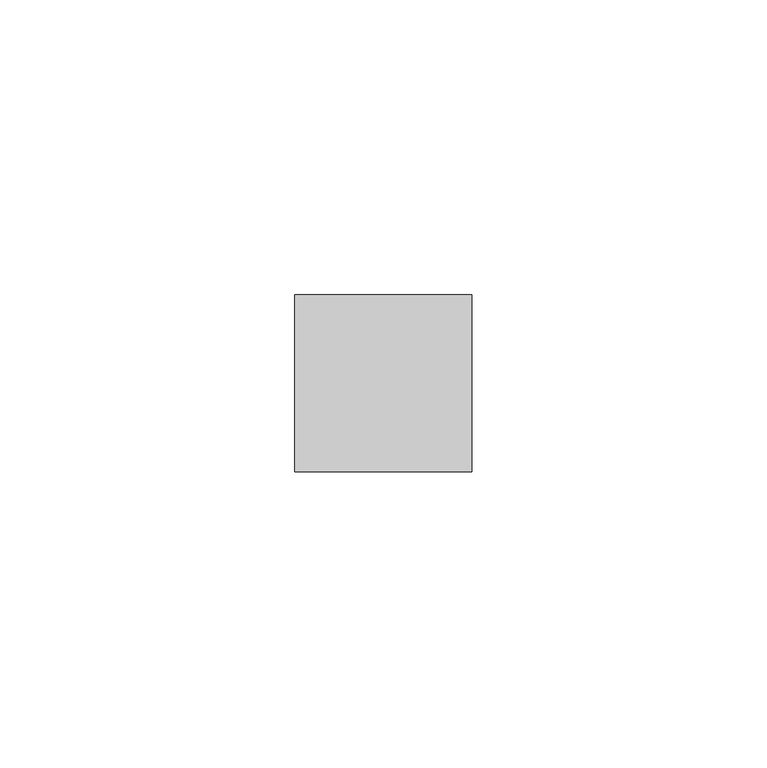
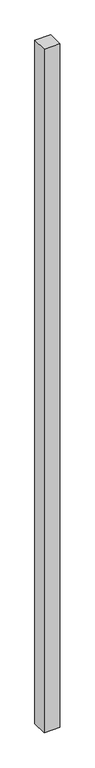
"""IFC4 building model written with IfcOpenShell, lengths in millimetres: member geometry."""

from ifc_helpers import new_model, si_unit, frame, origin, place, context, project, spatial, polyline, outline, extrude, source, transform, mapped, element, save


def member_58d1fbad(model_context):
    return source(origin(), model_context, "Body", "SweptSolid", [
        extrude(outline(polyline([(15.0, 15.0), (15.0, -15.0), (-15.0, -15.0), (-15.0, 15.0), (15.0, 15.0)])), frame((0.0, 0.0, -1370.0), z_axis=(0.0, 0.0, 1.0), x_axis=(1.0, 0.0, 0.0)), (0.0, 0.0, 1.0), 1370.0),
    ])


if __name__ == "__main__":
    model = new_model("IFC4")
    model_context = context("Model", 3, world=origin())
    ifc_project = project(units=[si_unit("LENGTHUNIT", "METRE", prefix="MILLI")], contexts=[model_context])
    site = spatial("IfcSite", under=ifc_project)
    building = spatial("IfcBuilding", under=site)
    placement = place(None, origin())
    member_shape = member_58d1fbad(model_context)
    element("IfcMember", 1, at=placement, inside=building, context=model_context, shape_type="MappedRepresentation", body=[
        mapped(member_shape, transform((0.0, 0.0, 0.0), x_axis=(1.0, 0.0, 0.0), y_axis=(0.0, 1.0, 0.0), z_axis=(0.0, 0.0, 1.0))),
    ])
    save(model, "model.ifc")
